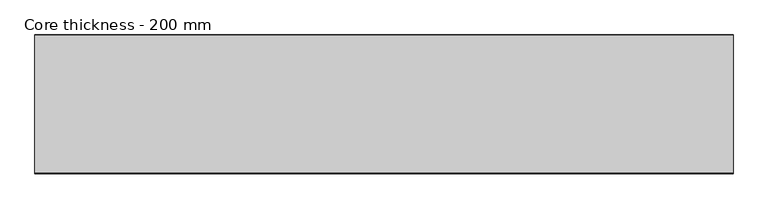
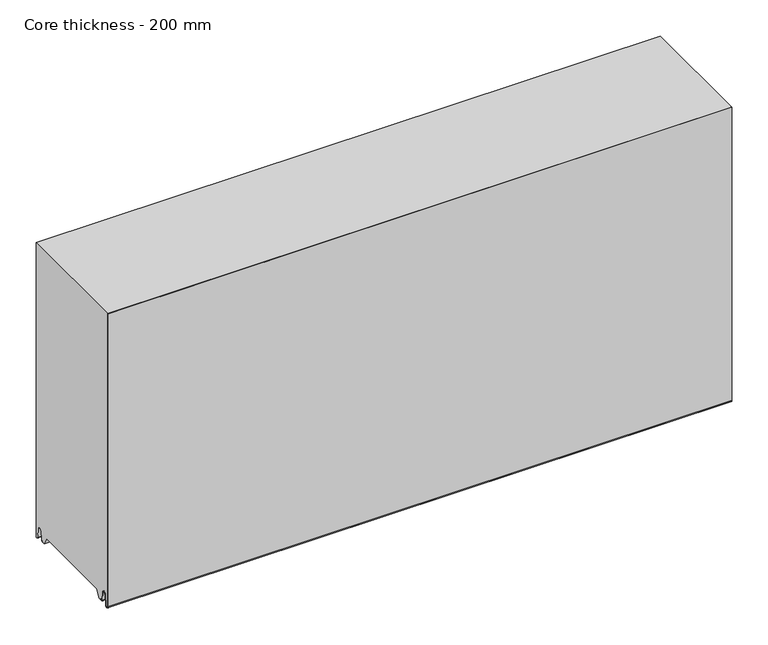
"""IFC4 building model written with IfcOpenShell, lengths in millimetres: plate geometry, Core thickness - 200 mm."""

from ifc_helpers import new_model, si_unit, frame, origin, place, context, project, spatial, polyline, circle_curve, source, transform, mapped, element, save
from ifc_brep_helpers import plane_surface, cylinder_surface, revolved_surface, advanced_brep


def core_thickness_200_mm_86fe9d97(model_context):
    return source(origin(), model_context, "Body", "AdvancedBrep", [
        advanced_brep(
        [(500.0000002, -199.9996949, 3.0900682), (500.0000002, -193.81449, 2.7875612), (500.0000002, -192.197116, 19.2828169), (500.0000002, -189.1776715, 21.9898782), (500.0000002, -186.1582271, 19.2828169), (500.0000002, -184.7725998, 5.1510966), (500.0000002, -180.3830995, 5.365779), (500.0000002, -181.1830995, 5.365779), (500.0000002, -183.9764178, 5.2291629), (500.0000002, -185.3620451, 19.3608832), (500.0000002, -189.1776715, 22.7899182), (500.0000002, -192.9932979, 19.3608832), (500.0000002, -194.6106719, 2.8656275), (500.0000002, -199.1996949, 3.0900682), (500.0000002, -199.2, 500.0), (500.0000002, -199.9996949, 500.0), (-500.0000002, -199.1996949, 3.0900682), (-500.0000002, -194.6106719, 2.8656275), (-500.0000002, -192.9932979, 19.3608832), (-500.0000002, -189.1776715, 22.7899182), (-500.0000002, -185.3620451, 19.3608832), (-500.0000002, -183.9764178, 5.2291629), (-500.0000002, -181.1830995, 5.365779), (-500.0000002, -180.3830995, 5.365779), (-500.0000002, -184.7725998, 5.1510966), (-500.0000002, -186.1582271, 19.2828169), (-500.0000002, -189.1776715, 21.9898782), (-500.0000002, -192.197116, 19.2828169), (-500.0000002, -193.81449, 2.7875612), (-500.0000002, -199.9996949, 3.0900682), (-500.0000002, -199.9996949, 500.0), (-500.0000002, -199.2, 500.0)],
        [
            (0, 1, circle_curve(frame((500.0000002, -196.8996949, 3.0900682), z_axis=(1.0, 0.0, 0.0), x_axis=(0.0, 0.0, -1.0)), 3.1)),
            (1, 2),
            (2, 3, circle_curve(frame((500.0000002, -189.2114338, 18.9900682), z_axis=(-1.0, 0.0, 0.0), x_axis=(0.0, 0.0, -1.0)), 3.0)),
            (3, 4, circle_curve(frame((500.0000002, -189.1439093, 18.9900682), z_axis=(-1.0, 0.0, 0.0), x_axis=(0.0, 0.0, -1.0)), 3.0)),
            (4, 5),
            (5, 6, circle_curve(frame((500.0000002, -182.5830995, 5.365779), z_axis=(1.0, 0.0, 0.0), x_axis=(0.0, 0.0, -1.0)), 2.2)),
            (6, 7),
            (7, 8, circle_curve(frame((500.0000002, -182.5830995, 5.365779), z_axis=(-1.0, 0.0, 0.0), x_axis=(0.0, 0.0, -1.0)), 1.4)),
            (8, 9),
            (9, 10, circle_curve(frame((500.0000002, -189.1439093, 18.9900682), z_axis=(1.0, 0.0, 0.0), x_axis=(0.0, 0.0, -1.0)), 3.8)),
            (10, 11, circle_curve(frame((500.0000002, -189.2114338, 18.9900682), z_axis=(1.0, 0.0, 0.0), x_axis=(0.0, 0.0, -1.0)), 3.8)),
            (11, 12),
            (12, 13, circle_curve(frame((500.0000002, -196.8996949, 3.0900682), z_axis=(-1.0, 0.0, 0.0), x_axis=(0.0, 0.0, -1.0)), 2.3)),
            (13, 14),
            (14, 15),
            (15, 0),
            (16, 17, circle_curve(frame((-500.0000002, -196.8996949, 3.0900682), z_axis=(1.0, 0.0, 0.0), x_axis=(0.0, 0.0, -1.0)), 2.3)),
            (17, 18),
            (18, 19, circle_curve(frame((-500.0000002, -189.2114338, 18.9900682), z_axis=(-1.0, 0.0, 0.0), x_axis=(0.0, 0.0, -1.0)), 3.8)),
            (19, 20, circle_curve(frame((-500.0000002, -189.1439093, 18.9900682), z_axis=(-1.0, 0.0, 0.0), x_axis=(0.0, 0.0, -1.0)), 3.8)),
            (20, 21),
            (21, 22, circle_curve(frame((-500.0000002, -182.5830995, 5.365779), z_axis=(1.0, 0.0, 0.0), x_axis=(0.0, 0.0, -1.0)), 1.4)),
            (22, 23),
            (23, 24, circle_curve(frame((-500.0000002, -182.5830995, 5.365779), z_axis=(-1.0, 0.0, 0.0), x_axis=(0.0, 0.0, -1.0)), 2.2)),
            (24, 25),
            (25, 26, circle_curve(frame((-500.0000002, -189.1439093, 18.9900682), z_axis=(1.0, 0.0, 0.0), x_axis=(0.0, 0.0, -1.0)), 3.0)),
            (26, 27, circle_curve(frame((-500.0000002, -189.2114338, 18.9900682), z_axis=(1.0, 0.0, 0.0), x_axis=(0.0, 0.0, -1.0)), 3.0)),
            (27, 28),
            (28, 29, circle_curve(frame((-500.0000002, -196.8996949, 3.0900682), z_axis=(-1.0, 0.0, 0.0), x_axis=(0.0, 0.0, -1.0)), 3.1)),
            (29, 30),
            (30, 31),
            (31, 16),
            (13, 16),
            (31, 14),
            (12, 17),
            (11, 18),
            (10, 19),
            (9, 20),
            (8, 21),
            (7, 22),
            (6, 23),
            (5, 24),
            (4, 25),
            (3, 26),
            (2, 27),
            (1, 28),
            (0, 29),
            (15, 30),
        ],
        [
            plane_surface(frame((500.0000002, -200.0, 0.0), z_axis=(1.0, 0.0, 0.0), x_axis=(0.0, 1.0, 0.0))),
            plane_surface(frame((-500.0000002, -200.0, 0.0), z_axis=(-1.0, 0.0, 0.0), x_axis=(0.0, 1.0, 0.0))),
            plane_surface(frame((500.0000002, -199.2, 3.0900682), z_axis=(0.0, 1.0, 0.0), x_axis=(-1.0, 0.0, 0.0))),
            revolved_surface(polyline([(-500.0000002, -196.8996949, 0.7900682000000003), (500.0000002, -196.8996949, 0.7900682000000003)]), (500.0000002, -196.8996949, 3.0900682), (-1.0, 0.0, 0.0)),
            plane_surface(frame((500.0000002, -192.9932979, 19.3608832), z_axis=(0.0, -0.9952273999818314, 0.09758289975914787), x_axis=(-1.0, 0.0, 0.0))),
            cylinder_surface(frame((500.0000002, -189.2114338, 18.9900682), z_axis=(1.0, 0.0, 0.0), x_axis=(0.0, 0.0, -1.0)), 3.8),
            cylinder_surface(frame((500.0000002, -189.1439093, 18.9900682), z_axis=(1.0, 0.0, 0.0), x_axis=(0.0, 0.0, -1.0)), 3.8),
            plane_surface(frame((500.0000002, -183.9764178, 5.2291629), z_axis=(0.0, 0.9952273999818297, 0.09758289975916531), x_axis=(-1.0, 0.0, 0.0))),
            revolved_surface(polyline([(-500.0000002, -182.5830995, 3.965779), (500.0000002, -182.5830995, 3.965779)]), (500.0000002, -182.5830995, 5.365779), (-1.0, 0.0, 0.0)),
            plane_surface(frame((500.0000002, -180.3830995, 5.365779), z_axis=(0.0, 0.0, 1.0), x_axis=(-1.0, 0.0, 0.0))),
            cylinder_surface(frame((500.0000002, -182.5830995, 5.365779), z_axis=(1.0, 0.0, 0.0), x_axis=(0.0, 0.0, -1.0)), 2.2),
            plane_surface(frame((500.0000002, -186.1582271, 19.2828169), z_axis=(0.0, -0.9952273999818296, -0.09758289975916527), x_axis=(-1.0, 0.0, 0.0))),
            revolved_surface(polyline([(-500.0000002, -189.1439093, 15.9900682), (500.0000002, -189.1439093, 15.9900682)]), (500.0000002, -189.1439093, 18.9900682), (-1.0, 0.0, 0.0)),
            revolved_surface(polyline([(-500.0000002, -189.2114338, 15.9900682), (500.0000002, -189.2114338, 15.9900682)]), (500.0000002, -189.2114338, 18.9900682), (-1.0, 0.0, 0.0)),
            plane_surface(frame((500.0000002, -193.81449, 2.7875612), z_axis=(0.0, 0.9952273999818314, -0.09758289975914787), x_axis=(-1.0, 0.0, 0.0))),
            cylinder_surface(frame((500.0000002, -196.8996949, 3.0900682), z_axis=(1.0, 0.0, 0.0), x_axis=(0.0, 0.0, -1.0)), 3.1),
            plane_surface(frame((500.0000002, -199.9996949, 993.9000005), z_axis=(0.0, -1.0, 0.0), x_axis=(-1.0, 0.0, 0.0))),
            plane_surface(frame((-500.0000002, 134.0533409, 500.0), z_axis=(0.0, 0.0, 1.0), x_axis=(1.0, 0.0, 0.0))),
        ],
        [
            (0, [[1, 2, 3, 4, 5, 6, 7, 8, 9, 10, 11, 12, 13, 14, 15, 16]]),
            (1, [[17, 18, 19, 20, 21, 22, 23, 24, 25, 26, 27, 28, 29, 30, 31, 32]]),
            (2, [[33, -32, 34, -14]]),
            (3, [[-13, 35, -17, -33]]),
            (4, [[-12, 36, -18, -35]]),
            (5, [[-11, 37, -19, -36]]),
            (6, [[-10, 38, -20, -37]]),
            (7, [[-9, 39, -21, -38]]),
            (8, [[-8, 40, -22, -39]]),
            (9, [[-7, 41, -23, -40]]),
            (10, [[-6, 42, -24, -41]]),
            (11, [[-5, 43, -25, -42]]),
            (12, [[-4, 44, -26, -43]]),
            (13, [[-3, 45, -27, -44]]),
            (14, [[-2, 46, -28, -45]]),
            (15, [[-1, 47, -29, -46]]),
            (16, [[-47, -16, 48, -30]]),
            (17, [[-15, -34, -31, -48]]),
        ],
    ),
        advanced_brep(
        [(500.0000002, -169.873448, 15.1417681), (500.0000002, -30.126552, 15.1417681), (500.0000002, -23.4071318, 3.165779), (500.0000002, -17.4169005, 3.165779), (500.0000002, -19.6169005, 5.365779), (500.0000002, -18.8169005, 5.365779), (500.0000002, -16.0235822, 5.2291629), (500.0000002, -14.6379549, 19.3608832), (500.0000002, -10.8223285, 22.7899182), (500.0000002, -7.0067021, 19.3608832), (500.0000002, -5.3893281, 2.8656275), (500.0000002, -0.8003051, 3.0900682), (500.0000002, -0.8, 49.9459237), (500.0000002, -1.0986697, 50.9973395), (500.0000002, -1.5003051, 52.4177205), (500.0000002, -1.5003051, 102.5775037), (500.0000002, -1.0971009, 103.9969151), (500.0000002, -0.8, 105.0493005), (500.0000002, -0.8, 155.2090837), (500.0000002, -1.0986697, 156.2604995), (500.0000002, -1.5003051, 157.6808805), (500.0000002, -1.5003051, 207.8406637), (500.0000002, -1.0971009, 209.2600751), (500.0000002, -0.8, 210.3124605), (500.0000002, -0.8, 260.4722437), (500.0000002, -1.0986697, 261.5236595), (500.0000002, -1.5003051, 262.9440405), (500.0000002, -1.5003051, 313.1038237), (500.0000002, -1.0971009, 314.5232351), (500.0000002, -0.8, 315.5756205), (500.0000002, -0.8, 365.7354037), (500.0000002, -1.0986697, 366.7868195), (500.0000002, -1.5003051, 368.2072005), (500.0000002, -1.5003051, 418.3669837), (500.0000002, -1.0971009, 419.7863951), (500.0000002, -0.8, 420.8387805), (500.0000002, -0.8, 470.9985637), (500.0000002, -1.0986697, 472.0499795), (500.0000002, -1.5003051, 473.4703605), (500.0000002, -1.5003051, 500.0), (500.0000002, -199.2, 500.0), (500.0000002, -199.2, 3.0900682), (500.0000002, -194.6106719, 2.8656275), (500.0000002, -192.9932979, 19.3608832), (500.0000002, -189.1776715, 22.7899182), (500.0000002, -185.3620451, 19.3608832), (500.0000002, -183.9764178, 5.2291629), (500.0000002, -181.1830995, 5.365779), (500.0000002, -180.3830995, 5.365779), (500.0000002, -182.5830995, 3.165779), (500.0000002, -176.5928682, 3.165779), (-500.0000002, -30.126552, 15.1417681), (-500.0000002, -169.873448, 15.1417681), (-500.0000002, -176.5928682, 3.165779), (-500.0000002, -182.5830995, 3.165779), (-500.0000002, -180.3830995, 5.365779), (-500.0000002, -181.1830995, 5.365779), (-500.0000002, -183.9764178, 5.2291629), (-500.0000002, -185.3620451, 19.3608832), (-500.0000002, -189.1776715, 22.7899182), (-500.0000002, -192.9932979, 19.3608832), (-500.0000002, -194.6106719, 2.8656275), (-500.0000002, -199.1996949, 3.0900682), (-500.0000002, -199.2, 500.0), (-500.0000002, -1.5003051, 500.0), (-500.0000002, -1.5003051, 473.4703605), (-500.0000002, -1.0971009, 472.0509491), (-500.0000002, -0.8, 470.9985637), (-500.0000002, -0.8, 420.8387805), (-500.0000002, -1.0986697, 419.7873646), (-500.0000002, -1.5003051, 418.3669837), (-500.0000002, -1.5003051, 368.2072005), (-500.0000002, -1.0971009, 366.7877891), (-500.0000002, -0.8, 365.7354037), (-500.0000002, -0.8, 315.5756205), (-500.0000002, -1.0986697, 314.5242046), (-500.0000002, -1.5003051, 313.1038237), (-500.0000002, -1.5003051, 262.9440405), (-500.0000002, -1.0971009, 261.5246291), (-500.0000002, -0.8, 260.4722437), (-500.0000002, -0.8, 210.3124605), (-500.0000002, -1.0986697, 209.2610446), (-500.0000002, -1.5003051, 207.8406637), (-500.0000002, -1.5003051, 157.6808805), (-500.0000002, -1.0971009, 156.2614691), (-500.0000002, -0.8, 155.2090837), (-500.0000002, -0.8, 105.0493005), (-500.0000002, -1.0986697, 103.9978846), (-500.0000002, -1.5003051, 102.5775037), (-500.0000002, -1.5003051, 52.4177205), (-500.0000002, -1.0971009, 50.9983091), (-500.0000002, -0.8, 49.9459237), (-500.0000002, -0.8, 3.0900682), (-500.0000002, -5.3893281, 2.8656275), (-500.0000002, -7.0067021, 19.3608832), (-500.0000002, -10.8223285, 22.7899182), (-500.0000002, -14.6379549, 19.3608832), (-500.0000002, -16.0235822, 5.2291629), (-500.0000002, -18.8169005, 5.365779), (-500.0000002, -19.6169005, 5.365779), (-500.0000002, -17.4169005, 3.165779), (-500.0000002, -23.4071318, 3.165779)],
        [
            (0, 1),
            (1, 2),
            (2, 3),
            (3, 4, circle_curve(frame((500.0000002, -17.4169005, 5.365779), z_axis=(-1.0, 0.0, 0.0), x_axis=(0.0, 0.0, -1.0)), 2.2)),
            (4, 5),
            (5, 6, circle_curve(frame((500.0000002, -17.4169005, 5.365779), z_axis=(1.0, 0.0, 0.0), x_axis=(0.0, 0.0, -1.0)), 1.4)),
            (6, 7),
            (7, 8, circle_curve(frame((500.0000002, -10.8560907, 18.9900682), z_axis=(-1.0, 0.0, 0.0), x_axis=(0.0, 0.0, -1.0)), 3.8)),
            (8, 9, circle_curve(frame((500.0000002, -10.7885662, 18.9900682), z_axis=(-1.0, 0.0, 0.0), x_axis=(0.0, 0.0, -1.0)), 3.8)),
            (9, 10),
            (10, 11, circle_curve(frame((500.0000002, -3.1003051, 3.0900682), z_axis=(1.0, 0.0, 0.0), x_axis=(0.0, 0.0, -1.0)), 2.3)),
            (11, 12),
            (12, 13, circle_curve(frame((500.0000002, -2.8, 49.9459237), z_axis=(1.0, 0.0, 0.0), x_axis=(0.0, 0.0, -1.0)), 2.0)),
            (13, 14, circle_curve(frame((500.0000002, 1.1996949, 52.4177205), z_axis=(-1.0, 0.0, 0.0), x_axis=(0.0, 0.0, -1.0)), 2.7)),
            (14, 15),
            (15, 16, circle_curve(frame((500.0000002, 1.1996949, 102.5775037), z_axis=(-1.0, 0.0, 0.0), x_axis=(0.0, 0.0, -1.0)), 2.7)),
            (16, 17, circle_curve(frame((500.0000002, -2.8, 105.0493005), z_axis=(1.0, 0.0, 0.0), x_axis=(0.0, 0.0, -1.0)), 2.0)),
            (17, 18),
            (18, 19, circle_curve(frame((500.0000002, -2.8, 155.2090837), z_axis=(1.0, 0.0, 0.0), x_axis=(0.0, 0.0, -1.0)), 2.0)),
            (19, 20, circle_curve(frame((500.0000002, 1.1996949, 157.6808805), z_axis=(-1.0, 0.0, 0.0), x_axis=(0.0, 0.0, -1.0)), 2.7)),
            (20, 21),
            (21, 22, circle_curve(frame((500.0000002, 1.1996949, 207.8406637), z_axis=(-1.0, 0.0, 0.0), x_axis=(0.0, 0.0, -1.0)), 2.7)),
            (22, 23, circle_curve(frame((500.0000002, -2.8, 210.3124605), z_axis=(1.0, 0.0, 0.0), x_axis=(0.0, 0.0, -1.0)), 2.0)),
            (23, 24),
            (24, 25, circle_curve(frame((500.0000002, -2.8, 260.4722437), z_axis=(1.0, 0.0, 0.0), x_axis=(0.0, 0.0, -1.0)), 2.0)),
            (25, 26, circle_curve(frame((500.0000002, 1.1996949, 262.9440405), z_axis=(-1.0, 0.0, 0.0), x_axis=(0.0, 0.0, -1.0)), 2.7)),
            (26, 27),
            (27, 28, circle_curve(frame((500.0000002, 1.1996949, 313.1038237), z_axis=(-1.0, 0.0, 0.0), x_axis=(0.0, 0.0, -1.0)), 2.7)),
            (28, 29, circle_curve(frame((500.0000002, -2.8, 315.5756205), z_axis=(1.0, 0.0, 0.0), x_axis=(0.0, 0.0, -1.0)), 2.0)),
            (29, 30),
            (30, 31, circle_curve(frame((500.0000002, -2.8, 365.7354037), z_axis=(1.0, 0.0, 0.0), x_axis=(0.0, 0.0, -1.0)), 2.0)),
            (31, 32, circle_curve(frame((500.0000002, 1.1996949, 368.2072005), z_axis=(-1.0, 0.0, 0.0), x_axis=(0.0, 0.0, -1.0)), 2.7)),
            (32, 33),
            (33, 34, circle_curve(frame((500.0000002, 1.1996949, 418.3669837), z_axis=(-1.0, 0.0, 0.0), x_axis=(0.0, 0.0, -1.0)), 2.7)),
            (34, 35, circle_curve(frame((500.0000002, -2.8, 420.8387805), z_axis=(1.0, 0.0, 0.0), x_axis=(0.0, 0.0, -1.0)), 2.0)),
            (35, 36),
            (36, 37, circle_curve(frame((500.0000002, -2.8, 470.9985637), z_axis=(1.0, 0.0, 0.0), x_axis=(0.0, 0.0, -1.0)), 2.0)),
            (37, 38, circle_curve(frame((500.0000002, 1.1996949, 473.4703605), z_axis=(-1.0, 0.0, 0.0), x_axis=(0.0, 0.0, -1.0)), 2.7)),
            (38, 39),
            (39, 40),
            (40, 41),
            (41, 42, circle_curve(frame((500.0000002, -196.8996949, 3.0900682), z_axis=(1.0, 0.0, 0.0), x_axis=(0.0, 0.0, -1.0)), 2.3)),
            (42, 43),
            (43, 44, circle_curve(frame((500.0000002, -189.2114338, 18.9900682), z_axis=(-1.0, 0.0, 0.0), x_axis=(0.0, 0.0, -1.0)), 3.8)),
            (44, 45, circle_curve(frame((500.0000002, -189.1439093, 18.9900682), z_axis=(-1.0, 0.0, 0.0), x_axis=(0.0, 0.0, -1.0)), 3.8)),
            (45, 46),
            (46, 47, circle_curve(frame((500.0000002, -182.5830995, 5.365779), z_axis=(1.0, 0.0, 0.0), x_axis=(0.0, 0.0, -1.0)), 1.4)),
            (47, 48),
            (48, 49, circle_curve(frame((500.0000002, -182.5830995, 5.365779), z_axis=(-1.0, 0.0, 0.0), x_axis=(0.0, 0.0, -1.0)), 2.2)),
            (49, 50),
            (50, 0),
            (51, 52),
            (52, 53),
            (53, 54),
            (54, 55, circle_curve(frame((-500.0000002, -182.5830995, 5.365779), z_axis=(1.0, 0.0, 0.0), x_axis=(0.0, 0.0, -1.0)), 2.2)),
            (55, 56),
            (56, 57, circle_curve(frame((-500.0000002, -182.5830995, 5.365779), z_axis=(-1.0, 0.0, 0.0), x_axis=(0.0, 0.0, -1.0)), 1.4)),
            (57, 58),
            (58, 59, circle_curve(frame((-500.0000002, -189.1439093, 18.9900682), z_axis=(1.0, 0.0, 0.0), x_axis=(0.0, 0.0, -1.0)), 3.8)),
            (59, 60, circle_curve(frame((-500.0000002, -189.2114338, 18.9900682), z_axis=(1.0, 0.0, 0.0), x_axis=(0.0, 0.0, -1.0)), 3.8)),
            (60, 61),
            (61, 62, circle_curve(frame((-500.0000002, -196.8996949, 3.0900682), z_axis=(-1.0, 0.0, 0.0), x_axis=(0.0, 0.0, -1.0)), 2.3)),
            (62, 63),
            (63, 64),
            (64, 65),
            (65, 66, circle_curve(frame((-500.0000002, 1.1996949, 473.4703605), z_axis=(1.0, 0.0, 0.0), x_axis=(0.0, 0.0, -1.0)), 2.7)),
            (66, 67, circle_curve(frame((-500.0000002, -2.8, 470.9985637), z_axis=(-1.0, 0.0, 0.0), x_axis=(0.0, 0.0, -1.0)), 2.0)),
            (67, 68),
            (68, 69, circle_curve(frame((-500.0000002, -2.8, 420.8387805), z_axis=(-1.0, 0.0, 0.0), x_axis=(0.0, 0.0, -1.0)), 2.0)),
            (69, 70, circle_curve(frame((-500.0000002, 1.1996949, 418.3669837), z_axis=(1.0, 0.0, 0.0), x_axis=(0.0, 0.0, -1.0)), 2.7)),
            (70, 71),
            (71, 72, circle_curve(frame((-500.0000002, 1.1996949, 368.2072005), z_axis=(1.0, 0.0, 0.0), x_axis=(0.0, 0.0, -1.0)), 2.7)),
            (72, 73, circle_curve(frame((-500.0000002, -2.8, 365.7354037), z_axis=(-1.0, 0.0, 0.0), x_axis=(0.0, 0.0, -1.0)), 2.0)),
            (73, 74),
            (74, 75, circle_curve(frame((-500.0000002, -2.8, 315.5756205), z_axis=(-1.0, 0.0, 0.0), x_axis=(0.0, 0.0, -1.0)), 2.0)),
            (75, 76, circle_curve(frame((-500.0000002, 1.1996949, 313.1038237), z_axis=(1.0, 0.0, 0.0), x_axis=(0.0, 0.0, -1.0)), 2.7)),
            (76, 77),
            (77, 78, circle_curve(frame((-500.0000002, 1.1996949, 262.9440405), z_axis=(1.0, 0.0, 0.0), x_axis=(0.0, 0.0, -1.0)), 2.7)),
            (78, 79, circle_curve(frame((-500.0000002, -2.8, 260.4722437), z_axis=(-1.0, 0.0, 0.0), x_axis=(0.0, 0.0, -1.0)), 2.0)),
            (79, 80),
            (80, 81, circle_curve(frame((-500.0000002, -2.8, 210.3124605), z_axis=(-1.0, 0.0, 0.0), x_axis=(0.0, 0.0, -1.0)), 2.0)),
            (81, 82, circle_curve(frame((-500.0000002, 1.1996949, 207.8406637), z_axis=(1.0, 0.0, 0.0), x_axis=(0.0, 0.0, -1.0)), 2.7)),
            (82, 83),
            (83, 84, circle_curve(frame((-500.0000002, 1.1996949, 157.6808805), z_axis=(1.0, 0.0, 0.0), x_axis=(0.0, 0.0, -1.0)), 2.7)),
            (84, 85, circle_curve(frame((-500.0000002, -2.8, 155.2090837), z_axis=(-1.0, 0.0, 0.0), x_axis=(0.0, 0.0, -1.0)), 2.0)),
            (85, 86),
            (86, 87, circle_curve(frame((-500.0000002, -2.8, 105.0493005), z_axis=(-1.0, 0.0, 0.0), x_axis=(0.0, 0.0, -1.0)), 2.0)),
            (87, 88, circle_curve(frame((-500.0000002, 1.1996949, 102.5775037), z_axis=(1.0, 0.0, 0.0), x_axis=(0.0, 0.0, -1.0)), 2.7)),
            (88, 89),
            (89, 90, circle_curve(frame((-500.0000002, 1.1996949, 52.4177205), z_axis=(1.0, 0.0, 0.0), x_axis=(0.0, 0.0, -1.0)), 2.7)),
            (90, 91, circle_curve(frame((-500.0000002, -2.8, 49.9459237), z_axis=(-1.0, 0.0, 0.0), x_axis=(0.0, 0.0, -1.0)), 2.0)),
            (91, 92),
            (92, 93, circle_curve(frame((-500.0000002, -3.1003051, 3.0900682), z_axis=(-1.0, 0.0, 0.0), x_axis=(0.0, 0.0, -1.0)), 2.3)),
            (93, 94),
            (94, 95, circle_curve(frame((-500.0000002, -10.7885662, 18.9900682), z_axis=(1.0, 0.0, 0.0), x_axis=(0.0, 0.0, -1.0)), 3.8)),
            (95, 96, circle_curve(frame((-500.0000002, -10.8560907, 18.9900682), z_axis=(1.0, 0.0, 0.0), x_axis=(0.0, 0.0, -1.0)), 3.8)),
            (96, 97),
            (97, 98, circle_curve(frame((-500.0000002, -17.4169005, 5.365779), z_axis=(-1.0, 0.0, 0.0), x_axis=(0.0, 0.0, -1.0)), 1.4)),
            (98, 99),
            (99, 100, circle_curve(frame((-500.0000002, -17.4169005, 5.365779), z_axis=(1.0, 0.0, 0.0), x_axis=(0.0, 0.0, -1.0)), 2.2)),
            (100, 101),
            (101, 51),
            (1, 51),
            (101, 2),
            (0, 52),
            (50, 53),
            (99, 4),
            (3, 100),
            (98, 5),
            (97, 6),
            (96, 7),
            (95, 8),
            (94, 9),
            (93, 10),
            (92, 11),
            (91, 12),
            (90, 13),
            (89, 14),
            (88, 15),
            (87, 16),
            (86, 17),
            (85, 18),
            (84, 19),
            (83, 20),
            (82, 21),
            (81, 22),
            (80, 23),
            (79, 24),
            (78, 25),
            (77, 26),
            (76, 27),
            (75, 28),
            (74, 29),
            (73, 30),
            (72, 31),
            (71, 32),
            (70, 33),
            (69, 34),
            (68, 35),
            (67, 36),
            (66, 37),
            (65, 38),
            (64, 39),
            (62, 41),
            (40, 63),
            (61, 42),
            (60, 43),
            (59, 44),
            (58, 45),
            (57, 46),
            (56, 47),
            (55, 48),
            (54, 49),
        ],
        [
            plane_surface(frame((500.0000002, 0.0, 0.0), z_axis=(1.0, 0.0, 0.0), x_axis=(0.0, -1.0, 0.0))),
            plane_surface(frame((-500.0000002, 0.0, 0.0), z_axis=(-1.0, 0.0, 0.0), x_axis=(0.0, -1.0, 0.0))),
            plane_surface(frame((500.0000002, -30.126552, 15.1417681), z_axis=(0.0, -0.8721062992196836, -0.4893164649399687), x_axis=(-1.0, 0.0, 0.0))),
            plane_surface(frame((500.0000002, -169.873448, 15.1417681), z_axis=(0.0, 0.0, -1.0), x_axis=(-1.0, 0.0, 0.0))),
            plane_surface(frame((500.0000002, -176.8190247, 2.7627014), z_axis=(0.0, 0.8721062992196872, -0.4893164649399624), x_axis=(-1.0, 0.0, 0.0))),
            revolved_surface(polyline([(500.0000002, -17.4169005, 3.1657789999999997), (-500.00000020000004, -17.4169005, 3.1657789999999997)]), (630.0000002, -17.4169005, 5.365779), (1.0, 0.0, 0.0)),
            plane_surface(frame((630.0000002, -18.8169005, 5.365779), z_axis=(0.0, 0.0, -1.0), x_axis=(-1.0, 0.0, 0.0))),
            cylinder_surface(frame((630.0000002, -17.4169005, 5.365779), z_axis=(-1.0, 0.0, 0.0), x_axis=(0.0, 0.0, -1.0)), 1.4),
            plane_surface(frame((630.0000002, -14.6379549, 19.3608832), z_axis=(0.0, 0.9952273999818297, -0.09758289975916531), x_axis=(-1.0, 0.0, 0.0))),
            revolved_surface(polyline([(500.0000002, -10.8560907, 15.190068199999999), (-500.00000020000004, -10.8560907, 15.190068199999999)]), (630.0000002, -10.8560907, 18.9900682), (1.0, 0.0, 0.0)),
            revolved_surface(polyline([(500.0000002, -10.7885662, 15.190068199999999), (-500.00000020000004, -10.7885662, 15.190068199999999)]), (630.0000002, -10.7885662, 18.9900682), (1.0, 0.0, 0.0)),
            plane_surface(frame((630.0000002, -5.3893281, 2.8656275), z_axis=(0.0, -0.9952273999818314, -0.09758289975914787), x_axis=(-1.0, 0.0, 0.0))),
            cylinder_surface(frame((630.0000002, -3.1003051, 3.0900682), z_axis=(-1.0, 0.0, 0.0), x_axis=(0.0, 0.0, -1.0)), 2.3),
            plane_surface(frame((630.0000002, -0.8, 49.9459237), z_axis=(0.0, 1.0, 0.0), x_axis=(-1.0, 0.0, 0.0))),
            cylinder_surface(frame((630.0000002, -2.8, 49.9459237), z_axis=(-1.0, 0.0, 0.0), x_axis=(0.0, 0.0, -1.0)), 2.0),
            revolved_surface(polyline([(500.0000002, 1.1996949, 49.7177205), (-500.00000020000004, 1.1996949, 49.7177205)]), (630.0000002, 1.1996949, 52.4177205), (1.0, 0.0, 0.0)),
            plane_surface(frame((630.0000002, -1.5003051, 102.5775037), z_axis=(0.0, 1.0, 0.0), x_axis=(-1.0, 0.0, 0.0))),
            revolved_surface(polyline([(500.0000002, 1.1996949, 99.87750369999999), (-500.00000020000004, 1.1996949, 99.87750369999999)]), (630.0000002, 1.1996949, 102.5775037), (1.0, 0.0, 0.0)),
            cylinder_surface(frame((630.0000002, -2.8, 105.0493005), z_axis=(-1.0, 0.0, 0.0), x_axis=(0.0, 0.0, -1.0)), 2.0),
            plane_surface(frame((630.0000002, -0.8, 155.2090837), z_axis=(0.0, 1.0, 0.0), x_axis=(-1.0, 0.0, 0.0))),
            cylinder_surface(frame((630.0000002, -2.8, 155.2090837), z_axis=(-1.0, 0.0, 0.0), x_axis=(0.0, 0.0, -1.0)), 2.0),
            revolved_surface(polyline([(500.0000002, 1.1996949, 154.9808805), (-500.00000020000004, 1.1996949, 154.9808805)]), (630.0000002, 1.1996949, 157.6808805), (1.0, 0.0, 0.0)),
            plane_surface(frame((630.0000002, -1.5003051, 207.8406637), z_axis=(0.0, 1.0, 0.0), x_axis=(-1.0, 0.0, 0.0))),
            revolved_surface(polyline([(500.0000002, 1.1996949, 205.1406637), (-500.00000020000004, 1.1996949, 205.1406637)]), (630.0000002, 1.1996949, 207.8406637), (1.0, 0.0, 0.0)),
            cylinder_surface(frame((630.0000002, -2.8, 210.3124605), z_axis=(-1.0, 0.0, 0.0), x_axis=(0.0, 0.0, -1.0)), 2.0),
            plane_surface(frame((630.0000002, -0.8, 260.4722437), z_axis=(0.0, 1.0, 0.0), x_axis=(-1.0, 0.0, 0.0))),
            cylinder_surface(frame((630.0000002, -2.8, 260.4722437), z_axis=(-1.0, 0.0, 0.0), x_axis=(0.0, 0.0, -1.0)), 2.0),
            revolved_surface(polyline([(500.0000002, 1.1996949, 260.24404050000004), (-500.00000020000004, 1.1996949, 260.24404050000004)]), (630.0000002, 1.1996949, 262.9440405), (1.0, 0.0, 0.0)),
            plane_surface(frame((630.0000002, -1.5003051, 313.1038237), z_axis=(0.0, 1.0, 0.0), x_axis=(-1.0, 0.0, 0.0))),
            revolved_surface(polyline([(500.0000002, 1.1996949, 310.40382370000003), (-500.00000020000004, 1.1996949, 310.40382370000003)]), (630.0000002, 1.1996949, 313.1038237), (1.0, 0.0, 0.0)),
            cylinder_surface(frame((630.0000002, -2.8, 315.5756205), z_axis=(-1.0, 0.0, 0.0), x_axis=(0.0, 0.0, -1.0)), 2.0),
            plane_surface(frame((630.0000002, -0.8, 365.7354037), z_axis=(0.0, 1.0, 0.0), x_axis=(-1.0, 0.0, 0.0))),
            cylinder_surface(frame((630.0000002, -2.8, 365.7354037), z_axis=(-1.0, 0.0, 0.0), x_axis=(0.0, 0.0, -1.0)), 2.0),
            revolved_surface(polyline([(500.0000002, 1.1996949, 365.5072005), (-500.00000020000004, 1.1996949, 365.5072005)]), (630.0000002, 1.1996949, 368.2072005), (1.0, 0.0, 0.0)),
            plane_surface(frame((630.0000002, -1.5003051, 418.3669837), z_axis=(0.0, 1.0, 0.0), x_axis=(-1.0, 0.0, 0.0))),
            revolved_surface(polyline([(500.0000002, 1.1996949, 415.6669837), (-500.00000020000004, 1.1996949, 415.6669837)]), (630.0000002, 1.1996949, 418.3669837), (1.0, 0.0, 0.0)),
            cylinder_surface(frame((630.0000002, -2.8, 420.8387805), z_axis=(-1.0, 0.0, 0.0), x_axis=(0.0, 0.0, -1.0)), 2.0),
            plane_surface(frame((630.0000002, -0.8, 470.9985637), z_axis=(0.0, 1.0, 0.0), x_axis=(-1.0, 0.0, 0.0))),
            cylinder_surface(frame((630.0000002, -2.8, 470.9985637), z_axis=(-1.0, 0.0, 0.0), x_axis=(0.0, 0.0, -1.0)), 2.0),
            revolved_surface(polyline([(500.0000002, 1.1996949, 470.77036050000004), (-500.00000020000004, 1.1996949, 470.77036050000004)]), (630.0000002, 1.1996949, 473.4703605), (1.0, 0.0, 0.0)),
            plane_surface(frame((630.0000002, -1.5003051, 523.6301437), z_axis=(0.0, 1.0, 0.0), x_axis=(-1.0, 0.0, 0.0))),
            plane_surface(frame((630.0000002, -199.2, 3.0900682), z_axis=(0.0, -1.0, 0.0), x_axis=(-1.0, 0.0, 0.0))),
            cylinder_surface(frame((630.0000002, -196.8996949, 3.0900682), z_axis=(-1.0, 0.0, 0.0), x_axis=(0.0, 0.0, -1.0)), 2.3),
            plane_surface(frame((630.0000002, -192.9932979, 19.3608832), z_axis=(0.0, 0.9952273999818314, -0.09758289975914787), x_axis=(-1.0, 0.0, 0.0))),
            revolved_surface(polyline([(500.0000002, -189.2114338, 15.190068199999999), (-500.00000020000004, -189.2114338, 15.190068199999999)]), (630.0000002, -189.2114338, 18.9900682), (1.0, 0.0, 0.0)),
            revolved_surface(polyline([(500.0000002, -189.1439093, 15.190068199999999), (-500.00000020000004, -189.1439093, 15.190068199999999)]), (630.0000002, -189.1439093, 18.9900682), (1.0, 0.0, 0.0)),
            plane_surface(frame((630.0000002, -183.9764178, 5.2291629), z_axis=(0.0, -0.9952273999818297, -0.09758289975916531), x_axis=(-1.0, 0.0, 0.0))),
            cylinder_surface(frame((630.0000002, -182.5830995, 5.365779), z_axis=(-1.0, 0.0, 0.0), x_axis=(0.0, 0.0, -1.0)), 1.4),
            plane_surface(frame((630.0000002, -180.3830995, 5.365779), z_axis=(0.0, 0.0, -1.0), x_axis=(-1.0, 0.0, 0.0))),
            revolved_surface(polyline([(500.0000002, -182.5830995, 3.1657789999999997), (-500.00000020000004, -182.5830995, 3.1657789999999997)]), (630.0000002, -182.5830995, 5.365779), (1.0, 0.0, 0.0)),
            plane_surface(frame((-500.0000002, -182.5830995, 3.165779), z_axis=(0.0, 0.0, -1.0), x_axis=(1.0, 0.0, 0.0))),
            plane_surface(frame((-500.0000002, 134.0533409, 500.0), z_axis=(0.0, 0.0, 1.0), x_axis=(1.0, 0.0, 0.0))),
        ],
        [
            (0, [[1, 2, 3, 4, 5, 6, 7, 8, 9, 10, 11, 12, 13, 14, 15, 16, 17, 18, 19, 20, 21, 22, 23, 24, 25, 26, 27, 28, 29, 30, 31, 32, 33, 34, 35, 36, 37, 38, 39, 40, 41, 42, 43, 44, 45, 46, 47, 48, 49, 50, 51]]),
            (1, [[52, 53, 54, 55, 56, 57, 58, 59, 60, 61, 62, 63, 64, 65, 66, 67, 68, 69, 70, 71, 72, 73, 74, 75, 76, 77, 78, 79, 80, 81, 82, 83, 84, 85, 86, 87, 88, 89, 90, 91, 92, 93, 94, 95, 96, 97, 98, 99, 100, 101, 102]]),
            (2, [[103, -102, 104, -2]]),
            (3, [[-1, 105, -52, -103]]),
            (4, [[-105, -51, 106, -53]]),
            (5, [[107, -4, 108, -100]]),
            (6, [[-107, -99, 109, -5]]),
            (7, [[-109, -98, 110, -6]]),
            (8, [[-110, -97, 111, -7]]),
            (9, [[-111, -96, 112, -8]]),
            (10, [[-112, -95, 113, -9]]),
            (11, [[-113, -94, 114, -10]]),
            (12, [[-114, -93, 115, -11]]),
            (13, [[-115, -92, 116, -12]]),
            (14, [[-116, -91, 117, -13]]),
            (15, [[-117, -90, 118, -14]]),
            (16, [[-118, -89, 119, -15]]),
            (17, [[-119, -88, 120, -16]]),
            (18, [[-120, -87, 121, -17]]),
            (19, [[-121, -86, 122, -18]]),
            (20, [[-122, -85, 123, -19]]),
            (21, [[-123, -84, 124, -20]]),
            (22, [[-124, -83, 125, -21]]),
            (23, [[-125, -82, 126, -22]]),
            (24, [[-126, -81, 127, -23]]),
            (25, [[-127, -80, 128, -24]]),
            (26, [[-128, -79, 129, -25]]),
            (27, [[-129, -78, 130, -26]]),
            (28, [[-130, -77, 131, -27]]),
            (29, [[-131, -76, 132, -28]]),
            (30, [[-132, -75, 133, -29]]),
            (31, [[-133, -74, 134, -30]]),
            (32, [[-134, -73, 135, -31]]),
            (33, [[-135, -72, 136, -32]]),
            (34, [[-136, -71, 137, -33]]),
            (35, [[-137, -70, 138, -34]]),
            (36, [[-138, -69, 139, -35]]),
            (37, [[-139, -68, 140, -36]]),
            (38, [[-140, -67, 141, -37]]),
            (39, [[-141, -66, 142, -38]]),
            (40, [[-142, -65, 143, -39]]),
            (41, [[144, -41, 145, -63]]),
            (42, [[-144, -62, 146, -42]]),
            (43, [[-146, -61, 147, -43]]),
            (44, [[-147, -60, 148, -44]]),
            (45, [[-148, -59, 149, -45]]),
            (46, [[-149, -58, 150, -46]]),
            (47, [[-150, -57, 151, -47]]),
            (48, [[-151, -56, 152, -48]]),
            (49, [[-152, -55, 153, -49]]),
            (50, [[-3, -104, -101, -108]]),
            (50, [[-50, -153, -54, -106]]),
            (51, [[-143, -64, -145, -40]]),
        ],
    ),
    ])


if __name__ == "__main__":
    model = new_model("IFC4")
    model_context = context("Model", 3, world=origin())
    ifc_project = project(units=[si_unit("LENGTHUNIT", "METRE", prefix="MILLI")], contexts=[model_context])
    site = spatial("IfcSite", under=ifc_project)
    building = spatial("IfcBuilding", under=site)
    placement = place(None, origin())
    core_thickness_200_mm_shape = core_thickness_200_mm_86fe9d97(model_context)
    element("IfcPlate", 1, ObjectType="Core thickness - 200 mm", at=placement, inside=building, context=model_context, shape_type="MappedRepresentation", body=[
        mapped(core_thickness_200_mm_shape, transform((0.0, 0.0, 0.0), x_axis=(1.0, 0.0, 0.0), y_axis=(0.0, 1.0, 0.0), z_axis=(0.0, 0.0, 1.0))),
    ])
    save(model, "model.ifc")
